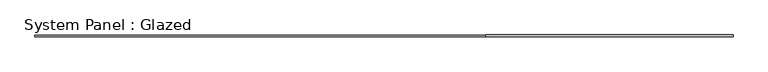
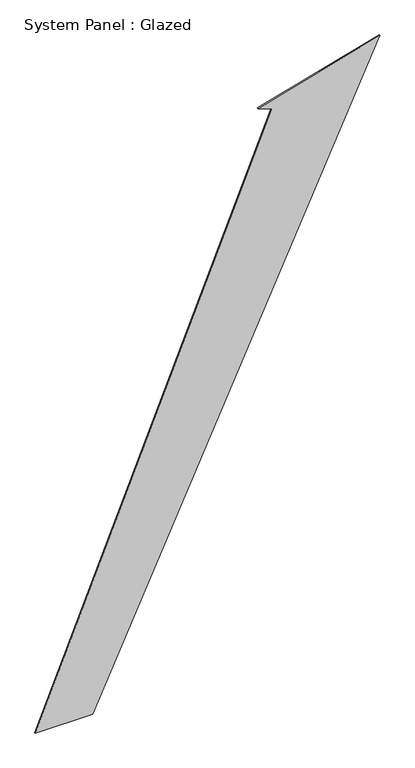
"""IFC4 building model written with IfcOpenShell, lengths in millimetres: plate geometry, System Panel : Glazed."""

from ifc_helpers import new_model, si_unit, frame, origin, place, context, project, spatial, polyline, outline, extrude, source, transform, mapped, element, save


def system_panel_glazed_94b65cff(model_context):
    return source(origin(), model_context, "Body", "SweptSolid", [
        extrude(outline(polyline([(0.0, -4694.2863527), (0.0, -3137.309267), (16792.6388237, 4694.2863527), (15854.6184992, 1365.5762507), (15703.043013, 1735.7449582), (0.0, -4694.2863527)])), frame((0.0, -77.5, 0.0), z_axis=(0.0, 1.0, 0.0), x_axis=(0.0, 0.0, 1.0)), (0.0, 0.0, 1.0), 25.0),
    ])


if __name__ == "__main__":
    model = new_model("IFC4")
    model_context = context("Model", 3, world=origin())
    ifc_project = project(units=[si_unit("LENGTHUNIT", "METRE", prefix="MILLI")], contexts=[model_context])
    site = spatial("IfcSite", under=ifc_project)
    building = spatial("IfcBuilding", under=site)
    placement = place(None, origin())
    system_panel_glazed_shape = system_panel_glazed_94b65cff(model_context)
    element("IfcPlate", 1, ObjectType="System Panel : Glazed", at=placement, inside=building, context=model_context, shape_type="MappedRepresentation", body=[
        mapped(system_panel_glazed_shape, transform((0.0, 0.0, 0.0), x_axis=(1.0, 0.0, 0.0), y_axis=(0.0, 1.0, 0.0), z_axis=(0.0, 0.0, 1.0))),
    ])
    save(model, "model.ifc")
